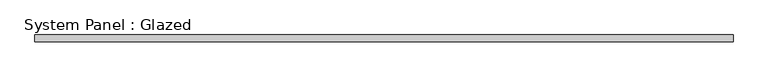
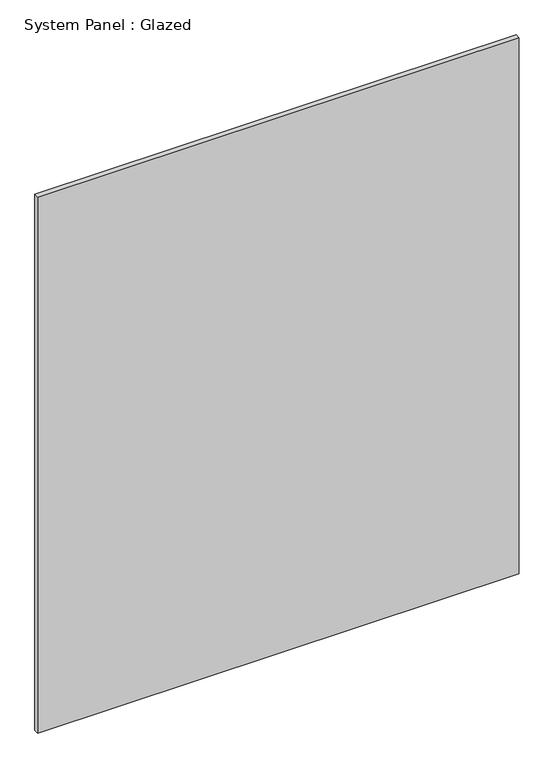
"""IFC4 building model written with IfcOpenShell, lengths in millimetres: plate geometry, System Panel : Glazed."""

import ifcopenshell
import ifcopenshell.guid

model = None  # the IFC model being written
_history = None  # IfcOwnerHistory: only IFC2X3 demands one
_inside = {}  # id of a spatial element -> (the spatial element, [elements in it])
_under = {}  # id of a project, library or spatial element -> (it, [spatial elements below it])
_declared = {}  # id of a project -> (the project, [libraries it declares])
_typed = {}  # id of a type object -> (the type object, [elements of that type])
_made_of = {}  # id of a material, layer set ... -> (it, [elements and type objects made of it])


def new_model(schema):
    """Start an empty IFC model of exactly this schema.

    Asked for "IFC4X3", IfcOpenShell would pick the latest addendum, in which some entities
    have other attributes; the version numbers below select the first issue.
    IFC2X3 requires an IfcOwnerHistory on every rooted entity: one is made here for all.
    """
    global model, _history
    if schema == "IFC4X3":
        model = ifcopenshell.file(schema_version=(4, 3, 0, 0))
    else:
        model = ifcopenshell.file(schema=schema)
    _inside.clear()
    _under.clear()
    _declared.clear()
    _typed.clear()
    _made_of.clear()
    _history = None
    if model.schema == "IFC2X3":
        org = make("IfcOrganization", Name="unknown")
        user = make(
            "IfcPersonAndOrganization",
            ThePerson=make("IfcPerson", FamilyName="unknown"),
            TheOrganization=org,
        )
        app = make(
            "IfcApplication",
            ApplicationDeveloper=org,
            Version="unknown",
            ApplicationFullName="unknown",
            ApplicationIdentifier="unknown",
        )
        _history = make(
            "IfcOwnerHistory",
            OwningUser=user,
            OwningApplication=app,
            ChangeAction="ADDED",
            CreationDate=0,
        )
    return model


def make(cls, **values):
    """One entity of the class cls with the attributes given. An attribute that is None is left unset."""
    return model.create_entity(
        cls, **{name: value for name, value in values.items() if value is not None}
    )


def rooted(cls, **values):
    """An entity with a GlobalId (a new one), such as an element, a storey or a relation."""
    return make(cls, GlobalId=ifcopenshell.guid.new(), OwnerHistory=_history, **values)


def si_unit(unit_type, name, prefix=None):
    """IfcSIUnit, for example si_unit("LENGTHUNIT", "METRE", prefix="MILLI")."""
    return make("IfcSIUnit", UnitType=unit_type, Prefix=prefix, Name=name)


def assignment(units):
    """IfcUnitAssignment: the units of a project."""
    return None if units is None else make("IfcUnitAssignment", Units=units)


def point(xyz):
    """IfcCartesianPoint."""
    return None if xyz is None else make("IfcCartesianPoint", Coordinates=xyz)


def direction(xyz):
    """IfcDirection."""
    return None if xyz is None else make("IfcDirection", DirectionRatios=xyz)


def frame(location, z_axis=None, x_axis=None):
    """IfcAxis2Placement3D, a coordinate frame: its origin and axes. An axis left out is left unset."""
    return make(
        "IfcAxis2Placement3D",
        Location=point(location),
        Axis=direction(z_axis),
        RefDirection=direction(x_axis),
    )


def origin():
    """The frame at (0, 0, 0) with its axes left unset."""
    return frame((0.0, 0.0, 0.0))


def origin_with_axes():
    """The frame at (0, 0, 0) with the z axis (0, 0, 1) and the x axis (1, 0, 0) written out."""
    return frame((0.0, 0.0, 0.0), z_axis=(0.0, 0.0, 1.0), x_axis=(1.0, 0.0, 0.0))


def place(relative_to, where):
    """IfcLocalPlacement: puts the frame where relative to a parent placement (None: the world)."""
    return make(
        "IfcLocalPlacement", PlacementRelTo=relative_to, RelativePlacement=where
    )


def context(
    kind, dimensions, precision=None, world=None, true_north=None, identifier=None
):
    """IfcGeometricRepresentationContext, for example the 3D "Model" context."""
    return make(
        "IfcGeometricRepresentationContext",
        ContextIdentifier=identifier,
        ContextType=kind,
        CoordinateSpaceDimension=dimensions,
        Precision=precision,
        WorldCoordinateSystem=world,
        TrueNorth=true_north,
    )


def project(units=None, contexts=None):
    """IfcProject with its units and contexts."""
    return rooted(
        "IfcProject",
        Name="project",
        RepresentationContexts=contexts,
        UnitsInContext=assignment(units),
    )


def spatial(cls, under=None, at=None, **own):
    """A site, building, storey or space (cls), placed at a placement, below another one or the project."""
    s = rooted(cls, ObjectPlacement=at, **own)
    if under is not None:
        _under.setdefault(under.id(), (under, []))[1].append(s)
    return s


def polyline(points):
    """IfcPolyline through the points."""
    return make("IfcPolyline", Points=[point(p) for p in points])


def outline(outer, holes=None, kind="AREA"):
    """IfcArbitraryClosedProfileDef: a profile drawn as a closed curve; with holes, ...WithVoids."""
    if holes is None:
        return make("IfcArbitraryClosedProfileDef", ProfileType=kind, OuterCurve=outer)
    return make(
        "IfcArbitraryProfileDefWithVoids",
        ProfileType=kind,
        OuterCurve=outer,
        InnerCurves=holes,
    )


def extrude(swept, where, along, depth):
    """IfcExtrudedAreaSolid: the profile swept, set in the frame where, extruded along a direction by depth."""
    return make(
        "IfcExtrudedAreaSolid",
        SweptArea=swept,
        Position=where,
        ExtrudedDirection=direction(along),
        Depth=depth,
    )


def shape(context_of_items, identifier, shape_type, items):
    """IfcShapeRepresentation: the items that make up one representation, for example the "Body"."""
    return make(
        "IfcShapeRepresentation",
        ContextOfItems=context_of_items,
        RepresentationIdentifier=identifier,
        RepresentationType=shape_type,
        Items=items,
    )


def source(mapping_origin, context_of_items, identifier, shape_type, items):
    """IfcRepresentationMap: a shape defined once, which mapped items show again and again."""
    return make(
        "IfcRepresentationMap",
        MappingOrigin=mapping_origin,
        MappedRepresentation=shape(context_of_items, identifier, shape_type, items),
    )


def transform(
    local_origin,
    x_axis=None,
    y_axis=None,
    z_axis=None,
    scale=None,
    scale2=None,
    scale3=None,
    uniform=True,
):
    """IfcCartesianTransformationOperator3D, or its non-uniform kind. x_axis, y_axis, z_axis: its Axis1, 2, 3."""
    if uniform:
        return make(
            "IfcCartesianTransformationOperator3D",
            Axis1=direction(x_axis),
            Axis2=direction(y_axis),
            LocalOrigin=point(local_origin),
            Scale=scale,
            Axis3=direction(z_axis),
        )
    return make(
        "IfcCartesianTransformationOperator3DnonUniform",
        Axis1=direction(x_axis),
        Axis2=direction(y_axis),
        LocalOrigin=point(local_origin),
        Scale=scale,
        Axis3=direction(z_axis),
        Scale2=scale2,
        Scale3=scale3,
    )


def mapped(mapping_source, mapping_target):
    """IfcMappedItem: shows the shape of a source again, moved by a transform."""
    return make(
        "IfcMappedItem", MappingSource=mapping_source, MappingTarget=mapping_target
    )


def made_of(thing, what):
    """Note that an element or type object is made of a material, layer set ...; save() writes the relation."""
    if what is not None:
        _made_of.setdefault(what.id(), (what, []))[1].append(thing)
    return thing


def element(
    cls,
    number,
    at=None,
    inside=None,
    cuts=None,
    type_object=None,
    material=None,
    context=None,
    identifier="Body",
    shape_type=None,
    held_by="IfcProductDefinitionShape",
    body=None,
    shapes=None,
    **own,
):
    """One element of the class cls, such as IfcWall. Its Tag is "e" and its number.

    at: its placement. inside: the storey or other place that contains it. cuts: it is an
    opening in that element (IfcRelVoidsElement). A single representation is given by context,
    identifier, shape_type and body (its items); several are given by shapes. held_by: the class
    of the entity that holds the representations. save() writes the other relations.
    """
    e = rooted(cls, Tag="e%d" % number, ObjectPlacement=at, **own)
    if body is not None:
        shapes = [shape(context, identifier, shape_type, body)]
    if shapes is not None:
        e.Representation = make(held_by, Representations=shapes)
    if inside is not None:
        _inside.setdefault(inside.id(), (inside, []))[1].append(e)
    if cuts is not None:
        rooted(
            "IfcRelVoidsElement", RelatingBuildingElement=cuts, RelatedOpeningElement=e
        )
    if type_object is not None:
        _typed.setdefault(type_object.id(), (type_object, []))[1].append(e)
    return made_of(e, material)


def aggregate(whole, parts):
    """IfcRelAggregates: a whole, such as a stair, and the parts it consists of."""
    return rooted("IfcRelAggregates", RelatingObject=whole, RelatedObjects=parts)


def save(model, path):
    """Write the relations noted so far, then the file.

    IfcRelAggregates (storeys below a building ...), IfcRelContainedInSpatialStructure (elements
    in a storey), IfcRelDefinesByType, IfcRelAssociatesMaterial and IfcRelDeclares: one each for
    every whole, place, type object, material and project.
    """
    for whole, parts in _under.values():
        aggregate(whole, parts)
    for where, things in _inside.values():
        rooted(
            "IfcRelContainedInSpatialStructure",
            RelatedElements=things,
            RelatingStructure=where,
        )
    for kind, things in _typed.values():
        rooted("IfcRelDefinesByType", RelatedObjects=things, RelatingType=kind)
    for what, things in _made_of.values():
        rooted("IfcRelAssociatesMaterial", RelatedObjects=things, RelatingMaterial=what)
    for by, libraries in _declared.values():
        rooted("IfcRelDeclares", RelatingContext=by, RelatedDefinitions=libraries)
    model.write(path)


def system_panel_glazed_9c5ce8fb(model_context):
    return source(origin(), model_context, "Body", "SweptSolid", [
        extrude(outline(polyline([(1295.4, 25.4), (-1295.4, 25.4), (-1295.4, 50.8), (1295.4, 50.8), (1295.4, 25.4)])), origin_with_axes(), (0.0, 0.0, 1.0), 3048.0),
    ])


if __name__ == "__main__":
    model = new_model("IFC4")
    model_context = context("Model", 3, world=origin())
    ifc_project = project(units=[si_unit("LENGTHUNIT", "METRE", prefix="MILLI")], contexts=[model_context])
    site = spatial("IfcSite", under=ifc_project)
    building = spatial("IfcBuilding", under=site)
    placement = place(None, origin())
    system_panel_glazed_shape = system_panel_glazed_9c5ce8fb(model_context)
    element("IfcPlate", 1, ObjectType="System Panel : Glazed", at=placement, inside=building, context=model_context, shape_type="MappedRepresentation", body=[
        mapped(system_panel_glazed_shape, transform((0.0, 0.0, 0.0), x_axis=(1.0, 0.0, 0.0), y_axis=(0.0, 1.0, 0.0), z_axis=(0.0, 0.0, 1.0))),
    ])
    save(model, "model.ifc")
